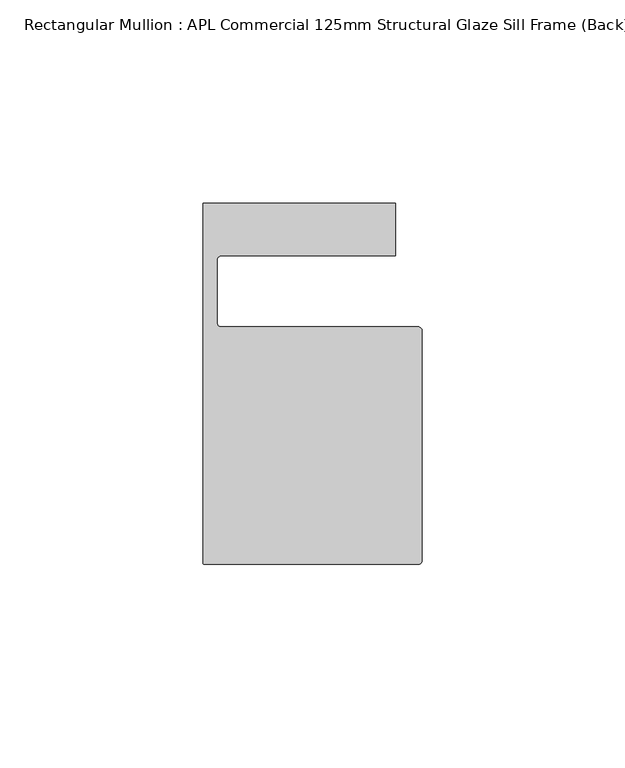
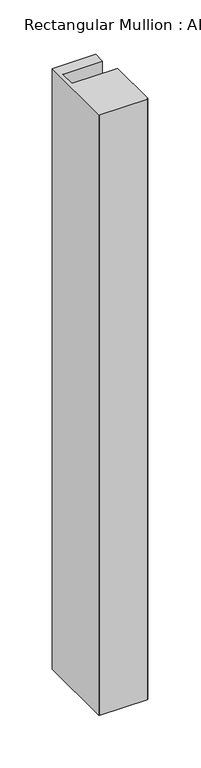
"""IFC4 building model written with IfcOpenShell, lengths in millimetres: member geometry, Rectangular Mullion : APL Commercial 125mm Structural Glaze Sill Frame (Back)."""

from ifc_helpers import new_model, si_unit, frame, origin, place, context, project, spatial, polyline, circle_curve, source, transform, mapped, element, save
from ifc_brep_helpers import plane_surface, cylinder_surface, revolved_surface, advanced_brep


def rectangular_mullion_apl_commercial_125mm_structural_glaze_0ed85999(model_context):
    return source(origin(), model_context, "Body", "AdvancedBrep", [
        advanced_brep(
        [(-53.5000029, -104.0, 0.0), (-1.0000025, -104.0, 0.0), (-2.5e-06, -103.0, 0.0), (0.0, -46.5010268, 0.0), (-1.0, -45.5010268, 0.0), (-49.5000004, -45.5010268, 0.0), (-50.5000004, -44.5010268, 0.0), (-50.5000029, -29.0004332, 0.0), (-49.5000029, -28.0004332, 0.0), (-6.5000029, -28.0004332, 0.0), (-6.5000029, -15.0004332, 0.0), (-54.0000029, -15.0004332, 0.0), (-54.0000029, -103.5, 0.0), (-53.5000029, -104.0, -699.3627597), (-54.0000029, -103.5, -699.3627597), (-54.0000029, -15.0004332, -699.3627597), (-6.5000029, -15.0004332, -699.3627597), (-6.5000029, -28.0004332, -699.3627597), (-49.5000029, -28.0004332, -699.3627597), (-50.5000029, -29.0004332, -699.3627597), (-50.5000029, -44.5010268, -699.3627597), (-49.5000004, -45.5010268, -699.3627597), (-1.0, -45.5010268, -699.3627597), (0.0, -46.5010268, -699.3627597), (0.0, -103.0, -699.3627597), (-1.0000025, -104.0, -699.3627597)],
        [
            (0, 1),
            (1, 2, circle_curve(frame((-1.0000025, -103.0, 0.0), z_axis=(0.0, 0.0, 1.0), x_axis=(0.9999999999996143, -8.78371761103865e-07, 0.0)), 1.0)),
            (2, 3),
            (3, 4, circle_curve(frame((-1.0, -46.5010268, 0.0), z_axis=(0.0, 0.0, 1.0), x_axis=(0.0, 1.0, 0.0)), 1.0)),
            (4, 5),
            (5, 6, circle_curve(frame((-49.5000004, -44.5010268, 0.0), z_axis=(0.0, 0.0, -1.0), x_axis=(-0.9999999999998819, -4.863123717036027e-07, 0.0)), 1.0)),
            (6, 7),
            (7, 8, circle_curve(frame((-49.5000029, -29.0004332, 0.0), z_axis=(0.0, 0.0, -1.0), x_axis=(0.0, 1.0, 0.0)), 1.0)),
            (8, 9),
            (9, 10),
            (10, 11),
            (11, 12),
            (12, 0, circle_curve(frame((-53.5000029, -103.5, 0.0), z_axis=(0.0, 0.0, 1.0), x_axis=(0.0, -1.0, 0.0)), 0.5)),
            (13, 14, circle_curve(frame((-53.5000029, -103.5, -699.3627597), z_axis=(0.0, 0.0, -1.0), x_axis=(0.0, -1.0, 0.0)), 0.5)),
            (14, 15),
            (15, 16),
            (16, 17),
            (17, 18),
            (18, 19, circle_curve(frame((-49.5000029, -29.0004332, -699.3627597), z_axis=(0.0, 0.0, 1.0), x_axis=(0.0, 1.0, 0.0)), 1.0)),
            (19, 20),
            (20, 21, circle_curve(frame((-49.5000004, -44.5010268, -699.3627597), z_axis=(0.0, 0.0, 1.0), x_axis=(-0.9999999999998819, -4.863123717036027e-07, 0.0)), 1.0)),
            (21, 22),
            (22, 23, circle_curve(frame((-1.0, -46.5010268, -699.3627597), z_axis=(0.0, 0.0, -1.0), x_axis=(0.0, 1.0, 0.0)), 1.0)),
            (23, 24),
            (24, 25, circle_curve(frame((-1.0000025, -103.0, -699.3627597), z_axis=(0.0, 0.0, -1.0), x_axis=(0.9999999999996143, -8.78371761103865e-07, 0.0)), 1.0)),
            (25, 13),
            (0, 13),
            (25, 1),
            (24, 2),
            (23, 3),
            (22, 4),
            (21, 5),
            (20, 6),
            (19, 7),
            (18, 8),
            (17, 9),
            (16, 10),
            (15, 11),
            (14, 12),
        ],
        [
            plane_surface(frame((0.0, -116.986179, 0.0), z_axis=(0.0, 0.0, 1.0), x_axis=(-1.0, 0.0, 0.0))),
            plane_surface(frame((0.0, -116.986179, -699.3627597), z_axis=(0.0, 0.0, -1.0), x_axis=(-1.0, 0.0, 0.0))),
            plane_surface(frame((-53.5000029, -104.0, 0.0), z_axis=(0.0, -1.0, 0.0), x_axis=(0.0, 0.0, -1.0))),
            cylinder_surface(frame((-1.0000025, -103.0, 0.0), z_axis=(0.0, 0.0, 1.0000000000000002), x_axis=(0.9999999999996143, -8.78371761103865e-07, 0.0)), 1.0),
            plane_surface(frame((0.0, -103.0, 0.0), z_axis=(1.0, 0.0, 0.0), x_axis=(0.0, 0.0, -1.0))),
            cylinder_surface(frame((-1.0, -46.5010268, 0.0), z_axis=(0.0, 0.0, 1.0), x_axis=(0.0, 1.0, 0.0)), 1.0),
            plane_surface(frame((-1.0, -45.5010268, 0.0), z_axis=(0.0, 1.0, 0.0), x_axis=(0.0, 0.0, -1.0))),
            revolved_surface(polyline([(-50.50000039999988, -44.50102728631237, -699.3627597000002), (-50.50000039999988, -44.50102728631237, 0.0)]), (-49.5000004, -44.5010268, 0.0), (0.0, 0.0, -1.0000000000000002)),
            plane_surface(frame((-50.5000029, -44.5010268, 0.0), z_axis=(1.0, 0.0, 0.0), x_axis=(0.0, 0.0, -1.0))),
            revolved_surface(polyline([(-49.5000029, -28.0004332, -699.3627597), (-49.5000029, -28.0004332, 0.0)]), (-49.5000029, -29.0004332, 0.0), (0.0, 0.0, -1.0)),
            plane_surface(frame((-49.5000029, -28.0004332, 0.0), z_axis=(0.0, -1.0, 0.0), x_axis=(0.0, 0.0, -1.0))),
            plane_surface(frame((-6.5000029, -28.0004332, 0.0), z_axis=(1.0, 0.0, 0.0), x_axis=(0.0, 0.0, -1.0))),
            plane_surface(frame((-6.5000029, -15.0004332, 0.0), z_axis=(0.0, 1.0, 0.0), x_axis=(0.0, 0.0, -1.0))),
            plane_surface(frame((-54.0000029, -15.0004332, 0.0), z_axis=(-1.0, 0.0, 0.0), x_axis=(0.0, 0.0, -1.0))),
            cylinder_surface(frame((-53.5000029, -103.5, 0.0), z_axis=(0.0, 0.0, 1.0), x_axis=(0.0, -1.0, 0.0)), 0.5),
        ],
        [
            (0, [[1, 2, 3, 4, 5, 6, 7, 8, 9, 10, 11, 12, 13]]),
            (1, [[14, 15, 16, 17, 18, 19, 20, 21, 22, 23, 24, 25, 26]]),
            (2, [[-1, 27, -26, 28]]),
            (3, [[-2, -28, -25, 29]]),
            (4, [[-3, -29, -24, 30]]),
            (5, [[-4, -30, -23, 31]]),
            (6, [[-5, -31, -22, 32]]),
            (7, [[-6, -32, -21, 33]]),
            (8, [[-7, -33, -20, 34]]),
            (9, [[-8, -34, -19, 35]]),
            (10, [[-9, -35, -18, 36]]),
            (11, [[-10, -36, -17, 37]]),
            (12, [[-11, -37, -16, 38]]),
            (13, [[-12, -38, -15, 39]]),
            (14, [[-13, -39, -14, -27]]),
        ],
    ),
    ])


if __name__ == "__main__":
    model = new_model("IFC4")
    model_context = context("Model", 3, world=origin())
    ifc_project = project(units=[si_unit("LENGTHUNIT", "METRE", prefix="MILLI")], contexts=[model_context])
    site = spatial("IfcSite", under=ifc_project)
    building = spatial("IfcBuilding", under=site)
    placement = place(None, origin())
    rectangular_mullion_apl_commercial_125mm_structural_glaze_shape = rectangular_mullion_apl_commercial_125mm_structural_glaze_0ed85999(model_context)
    element("IfcMember", 1, ObjectType="Rectangular Mullion : APL Commercial 125mm Structural Glaze Sill Frame (Back)", at=placement, inside=building, context=model_context, shape_type="MappedRepresentation", body=[
        mapped(rectangular_mullion_apl_commercial_125mm_structural_glaze_shape, transform((0.0, 0.0, 0.0), x_axis=(1.0, 0.0, 0.0), y_axis=(0.0, 1.0, 0.0), z_axis=(0.0, 0.0, 1.0))),
    ])
    save(model, "model.ifc")
